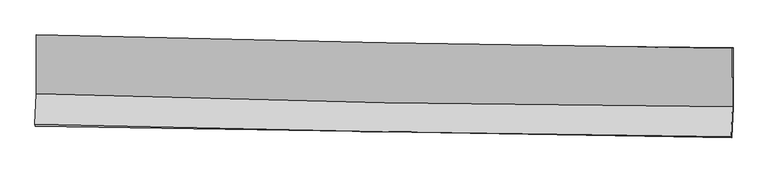
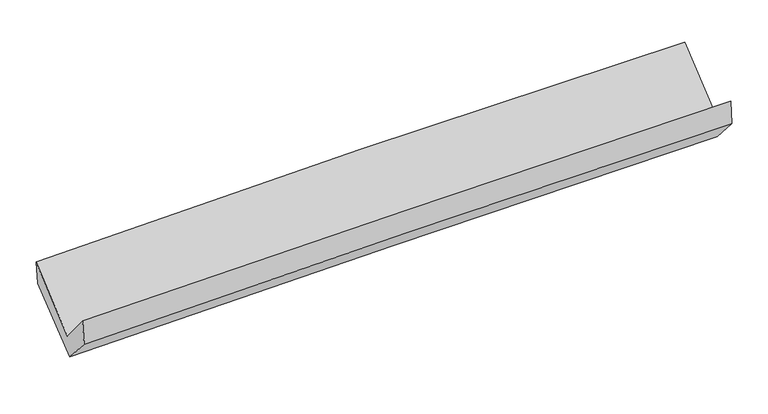
"""IFC4 building model written with IfcOpenShell, lengths in millimetres: proxy geometry."""

from ifc_helpers import new_model, si_unit, frame, origin, place, context, project, spatial, source, transform, mapped, element, save
from ifc_brep_helpers import plane_surface, spline_curve, spline_surface, advanced_brep


def generic_models_9858a47f(model_context):
    return source(origin(), model_context, "Body", "AdvancedBrep", [
        advanced_brep(
        [(-3014.7438823, -1159.1553416, 2171.2297689), (-3013.66617, -1666.0927046, 1741.5246128), (3003.501625, -1779.1742187, 1887.6763208), (3002.4144268, -1273.0507031, 2317.1684434), (-3025.9126016, -1932.7796954, 2060.1968073), (2991.4782719, -2041.0032937, 2200.5436477), (-3020.9591078, -1948.7467767, 1837.5199702), (2996.5389688, -2046.8605443, 1980.9652203), (-3009.8361421, -1699.1016719, 1553.7038048), (3007.9626022, -1790.467217, 1689.4771454), (-3010.2265437, -1174.7430889, 1967.3822422), (3007.5751235, -1270.0344172, 2100.058443)],
        [
            (0, 1),
            (1, 2, spline_curve(3, [(-3013.66617, -1666.0927046, 1741.5246128), (-2011.523662046, -1698.664952774, 1785.931803049), (-1009.020403298, -1724.374543394, 1820.314713099), (996.702198783, -1762.068307597, 1869.03184092), (1999.921538392, -1774.052554787, 1883.36616695), (3003.501625, -1779.1742187, 1887.6763208)], [4, 2, 4], [0.0, 9.876239233745695, 19.752425117581897])),
            (2, 3),
            (3, 0, spline_curve(3, [(3002.4144268, -1273.0507031, 2317.1684434), (1998.827792281, -1262.211028125, 2317.466746352), (995.605969034, -1247.299947165, 2305.454407663), (-1010.113471341, -1209.334870894, 2256.808316147), (-2012.611084664, -1186.280831326, 2220.174429698), (-3014.7438823, -1159.1553416, 2171.2297689)], [4, 2, 4], [0.0, 9.876185883836202, 19.752425117581897])),
            (1, 4),
            (4, 5, spline_curve(3, [(-3025.9126016, -1932.7796954, 2060.1968073), (-2023.361694574, -1956.458352702, 2093.976781972), (-1020.63564656, -1977.316331221, 2122.562356693), (985.161312844, -2013.390833345, 2169.344580751), (1988.23222306, -2028.60738779, 2187.541285903), (2991.4782719, -2041.0032937, 2200.5436477)], [4, 2, 4], [0.0, 9.875817881597724, 19.751582415562037])),
            (5, 2),
            (4, 6),
            (6, 7, spline_curve(3, [(-3020.9591078, -1948.7467767, 1837.5199702), (-2018.14610591, -1962.693094023, 1867.527648394), (-1015.280077105, -1977.842425574, 1894.485282379), (990.552615492, -2010.547027693, 1942.300332476), (1993.519279325, -2028.102285668, 1963.157782199), (2996.5389688, -2046.8605443, 1980.9652203)], [4, 2, 4], [0.0, 9.875459166281797, 19.750864986867906])),
            (7, 5),
            (6, 8),
            (8, 9, spline_curve(3, [(-3009.8361421, -1699.1016719, 1553.7038048), (-2007.073251922, -1714.17270216, 1584.990144792), (-1004.207223161, -1729.322033697, 1611.94777865), (1001.725692477, -1759.777216046, 1657.205512312), (2004.792578842, -1775.083066415, 1675.50565855), (3007.9626022, -1790.467217, 1689.4771454)], [4, 2, 4], [0.0, 9.875457561450409, 19.7508617772138])),
            (9, 7),
            (8, 10),
            (10, 11, spline_curve(3, [(-3010.2265437, -1174.7430889, 1967.3822422), (-2007.4563422, -1199.633966807, 1990.921480623), (-1004.586414557, -1220.020359058, 2013.747477961), (1001.347475671, -1251.784086551, 2057.97287019), (2004.411436836, -1263.161470559, 2079.372273588), (3007.5751235, -1270.0344172, 2100.058443)], [4, 2, 4], [0.0, 9.875453423500142, 19.750853501335616])),
            (11, 9),
            (10, 0),
            (3, 11),
        ],
        [
            spline_surface(3, 3, [[(-3014.7438823, -1159.1553416, 2171.2297689), (-2012.611084545, -1186.280831193, 2220.174429766), (-1010.113471308, -1209.334870769, 2256.808315987), (995.605969001, -1247.29994729, 2305.454407823), (1998.827792129, -1262.211028199, 2317.466746427), (3002.4144268, -1273.0507031, 2317.1684434)], [(-3014.384644852, -1328.134462609, 2027.99471688), (-2012.248610411, -1357.07553845, 2075.42688756), (-1009.749115338, -1381.014761703, 2111.310448361), (995.971378945, -1418.889400682, 2159.980218821), (1999.192374226, -1432.824870424, 2172.766553236), (3002.776826216, -1441.758541639, 2174.004402549)], [(-3014.025407448, -1497.113583591, 1884.75966482), (-2011.886136324, -1527.870245679, 1930.679345315), (-1009.384759344, -1552.694652614, 1965.812580782), (996.336788914, -1590.478854051, 2014.506029865), (1999.556956276, -1603.438712633, 2028.066359997), (3003.139225584, -1610.466380161, 2030.840361651)], [(-3013.66617, -1666.0927046, 1741.5246128), (-2011.52366219, -1698.664952936, 1785.93180311), (-1009.020403374, -1724.374543548, 1820.314713156), (996.702198858, -1762.068307443, 1869.031840863), (1999.921538373, -1774.052554857, 1883.366166805), (3003.501625, -1779.1742187, 1887.6763208)]], [4, 4], [4, 2, 4], [0.0, 2.2145620814724385], [0.0, 9.876239233745695, 19.752425117581897]),
            spline_surface(3, 3, [[(-3013.66617, -1666.0927046, 1741.5246128), (-2011.52366219, -1698.664952936, 1785.93180311), (-1009.020403374, -1724.374543548, 1820.314713156), (996.702198858, -1762.068307443, 1869.031840863), (1999.921538373, -1774.052554857, 1883.366166805), (3003.501625, -1779.1742187, 1887.6763208)], [(-3017.748313865, -1754.988368198, 1847.74867763), (-2015.469672987, -1784.596086158, 1888.613462674), (-1012.892151161, -1808.688472752, 1921.063927677), (992.855236902, -1845.842482783, 1969.136087484), (1996.025099907, -1858.904165795, 1984.757873175), (2999.493840634, -1866.450577036, 1991.965429749)], [(-3021.830457735, -1843.884031802, 1953.97274247), (-2019.415683787, -1870.527219387, 1991.295122249), (-1016.763898934, -1893.002401928, 2021.813142198), (989.008274961, -1929.616658094, 2069.240334104), (1992.12866144, -1943.755776723, 2086.1495796), (2995.486056266, -1953.726935364, 2096.254538751)], [(-3025.9126016, -1932.7796954, 2060.1968073), (-2023.361694584, -1956.458352609, 2093.976781813), (-1020.635646721, -1977.316331132, 2122.562356719), (985.161313005, -2013.390833433, 2169.344580725), (1988.232222975, -2028.60738766, 2187.54128597), (2991.4782719, -2041.0032937, 2200.5436477)]], [4, 4], [4, 2, 4], [0.0, 1.2894762440109273], [0.0, 9.875817881597724, 19.751582415562037]),
            spline_surface(3, 3, [[(-3025.9126016, -1932.7796954, 2060.1968073), (-2023.361694584, -1956.458352609, 2093.976781813), (-1020.635646721, -1977.316331132, 2122.562356719), (985.161313005, -2013.390833433, 2169.344580725), (1988.232222975, -2028.60738766, 2187.54128597), (2991.4782719, -2041.0032937, 2200.5436477)], [(-3024.261436998, -1938.102055825, 1985.971194919), (-2021.623164991, -1958.536599782, 2018.4937373), (-1018.850456872, -1977.491695911, 2046.536665241), (986.958413866, -2012.442898179, 2093.663164717), (1989.99457503, -2028.439020276, 2112.746784675), (2993.165170856, -2042.955710554, 2127.350838563)], [(-3022.610272402, -1943.424416275, 1911.745582581), (-2019.884635404, -1960.614846978, 1943.010692829), (-1017.065267036, -1977.667060754, 1970.510973698), (988.755514713, -2011.494962988, 2017.981748644), (1991.756927119, -2028.270652929, 2037.952283392), (2994.852069844, -2044.908127446, 2054.158029437)], [(-3020.9591078, -1948.7467767, 1837.5199702), (-2018.146105811, -1962.693094151, 1867.527648317), (-1015.280077187, -1977.842425533, 1894.485282219), (990.552615574, -2010.547027734, 1942.300332636), (1993.519279174, -2028.102285544, 1963.157782097), (2996.5389688, -2046.8605443, 1980.9652203)]], [4, 4], [4, 2, 4], [0.0, 0.7468078971475701], [0.0, 9.875459166281797, 19.750864986867906]),
            spline_surface(3, 3, [[(-3020.9591078, -1948.7467767, 1837.5199702), (-2018.146105811, -1962.693094151, 1867.527648317), (-1015.280077187, -1977.842425533, 1894.485282219), (990.552615574, -2010.547027734, 1942.300332636), (1993.519279174, -2028.102285544, 1963.157782097), (2996.5389688, -2046.8605443, 1980.9652203)], [(-3017.251452593, -1865.531741781, 1742.914581731), (-2014.455154507, -1879.852963522, 1773.348480495), (-1011.589125883, -1895.002294904, 1800.306114397), (994.276974593, -1926.95709055, 1847.268725823), (1997.277045728, -1943.762545856, 1867.273740898), (3000.34684661, -1961.396101868, 1883.802528674)], [(-3013.543797307, -1782.316706819, 1648.309193269), (-2010.764203123, -1797.01283285, 1679.169312678), (-1007.898174599, -1812.162164232, 1706.126946581), (998.001333592, -1843.367153324, 1752.237119016), (2001.034812251, -1859.422806164, 1771.389699679), (3004.15472439, -1875.931659432, 1786.639837026)], [(-3009.8361421, -1699.1016719, 1553.7038048), (-2007.073251819, -1714.172702221, 1584.990144856), (-1004.207223295, -1729.322033603, 1611.947778759), (1001.725692611, -1759.77721614, 1657.205512203), (2004.792578804, -1775.083066475, 1675.50565848), (3007.9626022, -1790.467217, 1689.4771454)]], [4, 4], [4, 2, 4], [0.0, 1.240652128848763], [0.0, 9.875457561450409, 19.7508617772138]),
            spline_surface(3, 3, [[(-3009.8361421, -1699.1016719, 1553.7038048), (-2007.073251819, -1714.172702221, 1584.990144856), (-1004.207223295, -1729.322033603, 1611.947778759), (1001.725692611, -1759.77721614, 1657.205512203), (2004.792578804, -1775.083066475, 1675.50565848), (3007.9626022, -1790.467217, 1689.4771454)], [(-3009.966275969, -1524.315477546, 1691.59661727), (-2007.200948625, -1542.659790418, 1720.300590116), (-1004.333620382, -1559.554808778, 1745.881011774), (1001.599620275, -1590.446172947, 1790.794631588), (2004.665531512, -1604.442534439, 1810.127863459), (3007.833442621, -1616.98961705, 1826.337577919)], [(-3010.096409831, -1349.529283254, 1829.48942973), (-2007.328645424, -1371.146878678, 1855.611035366), (-1004.460017435, -1389.787583913, 1879.814244783), (1001.473547973, -1421.115129713, 1924.383750967), (2004.538484257, -1433.802002452, 1944.750068482), (3007.704283079, -1443.51201715, 1963.198010481)], [(-3010.2265437, -1174.7430889, 1967.3822422), (-2007.456342231, -1199.633966875, 1990.921480626), (-1004.586414523, -1220.020359089, 2013.747477798), (1001.347475636, -1251.784086519, 2057.972870352), (2004.411436965, -1263.161470415, 2079.372273461), (3007.5751235, -1270.0344172, 2100.058443)]], [4, 4], [4, 2, 4], [0.0, 2.1255963867922207], [0.0, 9.875453423500142, 19.750853501335616]),
            spline_surface(3, 3, [[(-3010.2265437, -1174.7430889, 1967.3822422), (-2007.456342231, -1199.633966875, 1990.921480626), (-1004.586414523, -1220.020359089, 2013.747477798), (1001.347475636, -1251.784086519, 2057.972870352), (2004.411436965, -1263.161470415, 2079.372273461), (3007.5751235, -1270.0344172, 2100.058443)], [(-3011.732323223, -1169.547173141, 2035.331417769), (-2009.174589659, -1195.182921655, 2067.339130342), (-1006.428766772, -1216.458529625, 2094.767757189), (999.433640104, -1250.289373419, 2140.46671617), (2002.550222016, -1262.844656363, 2158.737097796), (3005.854891263, -1271.039845853, 2172.428443146)], [(-3013.238102777, -1164.351257359, 2103.280593331), (-2010.892837117, -1190.731876413, 2143.75678005), (-1008.271119059, -1212.896700233, 2175.788036597), (997.519804533, -1248.79466039, 2222.960562005), (2000.689007078, -1262.527842252, 2238.101922092), (3004.134659037, -1272.045274447, 2244.798443254)], [(-3014.7438823, -1159.1553416, 2171.2297689), (-2012.611084545, -1186.280831193, 2220.174429766), (-1010.113471308, -1209.334870769, 2256.808315987), (995.605969001, -1247.29994729, 2305.454407823), (1998.827792129, -1262.211028199, 2317.466746427), (3002.4144268, -1273.0507031, 2317.1684434)]], [4, 4], [4, 2, 4], [0.0, 0.8052923241233014], [0.0, 9.875700959463593, 19.75134857192537]),
            plane_surface(frame((3001.5785031, -1700.098399, 2029.3148701), z_axis=(0.9995649805960969, -0.017805148176974154, 0.02351225774612644), x_axis=(-0.0005845266058389074, 0.7850929325190682, 0.6193777083793515))),
            plane_surface(frame((-3015.8907412, -1596.7698798, 1888.5928677), z_axis=(-0.999564980596071, 0.017805148177515214, -0.023512257746821426), x_axis=(0.022090481144388288, -0.07622648425934897, -0.9968457923572074))),
        ],
        [
            (0, [[1, 2, 3, 4]]),
            (1, [[5, 6, 7, -2]]),
            (2, [[8, 9, 10, -6]]),
            (3, [[11, 12, 13, -9]]),
            (4, [[14, 15, 16, -12]]),
            (5, [[17, -4, 18, -15]]),
            (6, [[-16, -18, -3, -7, -10, -13]]),
            (7, [[-17, -14, -11, -8, -5, -1]]),
        ],
    ),
    ])


if __name__ == "__main__":
    model = new_model("IFC4")
    model_context = context("Model", 3, world=origin())
    ifc_project = project(units=[si_unit("LENGTHUNIT", "METRE", prefix="MILLI")], contexts=[model_context])
    site = spatial("IfcSite", under=ifc_project)
    building = spatial("IfcBuilding", under=site)
    placement = place(None, origin())
    generic_models_shape = generic_models_9858a47f(model_context)
    element("IfcBuildingElementProxy", 1, Name="Generic Models", at=placement, inside=building, context=model_context, shape_type="MappedRepresentation", body=[
        mapped(generic_models_shape, transform((0.0, 0.0, 0.0), x_axis=(1.0, 0.0, 0.0), y_axis=(0.0, 1.0, 0.0), z_axis=(0.0, 0.0, 1.0))),
    ])
    save(model, "model.ifc")
